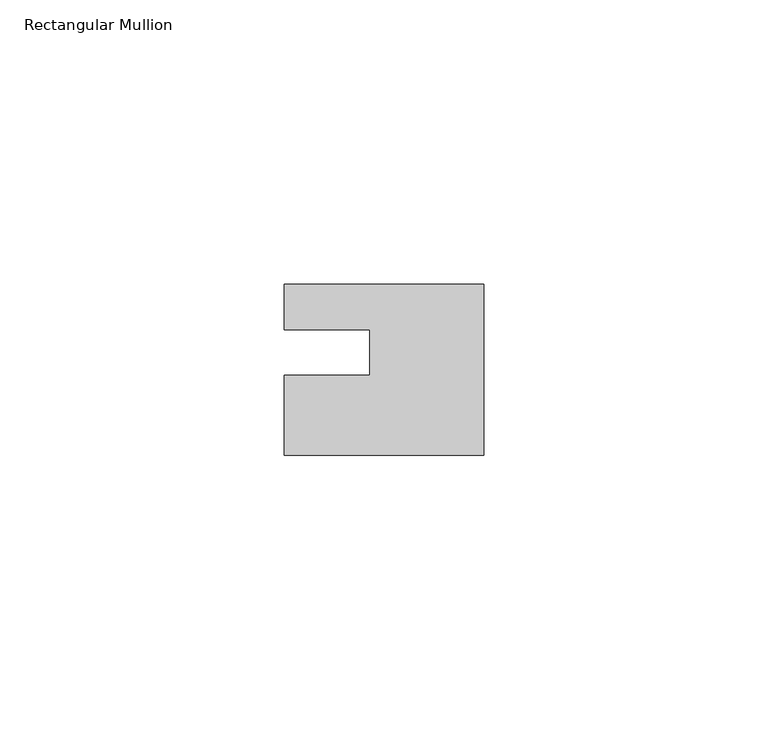
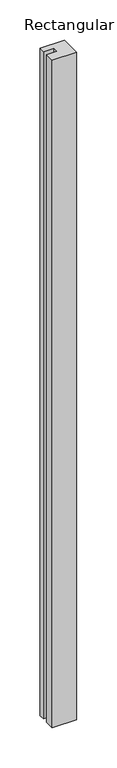
"""IFC4 building model written with IfcOpenShell, lengths in millimetres: member geometry, Rectangular Mullion."""

from ifc_helpers import new_model, si_unit, frame, origin, place, context, project, spatial, polyline, outline, extrude, source, transform, mapped, element, save


def rectangular_mullion_3fd57d54(model_context):
    return source(origin(), model_context, "Body", "SweptSolid", [
        extrude(outline(polyline([(0.0, 7.94), (0.0, -22.06), (-35.0, -22.06), (-35.0, -8.0), (-20.0, -8.0), (-20.0, 0.001), (-35.0, 0.001), (-35.0, 7.94), (0.0, 7.94)])), frame((0.0, 0.0, -1010.0), z_axis=(0.0, 0.0, 1.0), x_axis=(1.0, 0.0, 0.0)), (0.0, 0.0, 1.0), 1010.0),
    ])


if __name__ == "__main__":
    model = new_model("IFC4")
    model_context = context("Model", 3, world=origin())
    ifc_project = project(units=[si_unit("LENGTHUNIT", "METRE", prefix="MILLI")], contexts=[model_context])
    site = spatial("IfcSite", under=ifc_project)
    building = spatial("IfcBuilding", under=site)
    placement = place(None, origin())
    rectangular_mullion_shape = rectangular_mullion_3fd57d54(model_context)
    element("IfcMember", 1, ObjectType="Rectangular Mullion", at=placement, inside=building, context=model_context, shape_type="MappedRepresentation", body=[
        mapped(rectangular_mullion_shape, transform((0.0, 0.0, 0.0), x_axis=(1.0, 0.0, 0.0), y_axis=(0.0, 1.0, 0.0), z_axis=(0.0, 0.0, 1.0))),
    ])
    save(model, "model.ifc")
